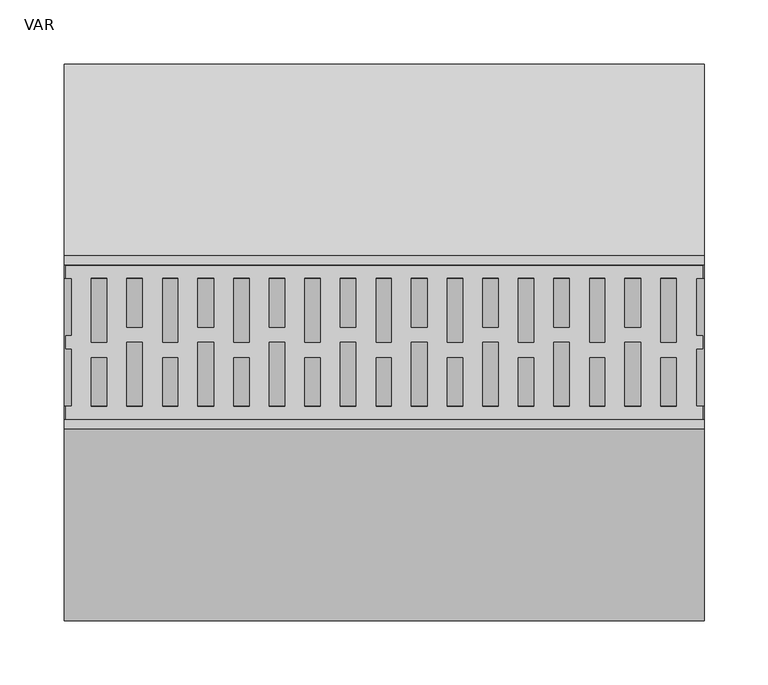
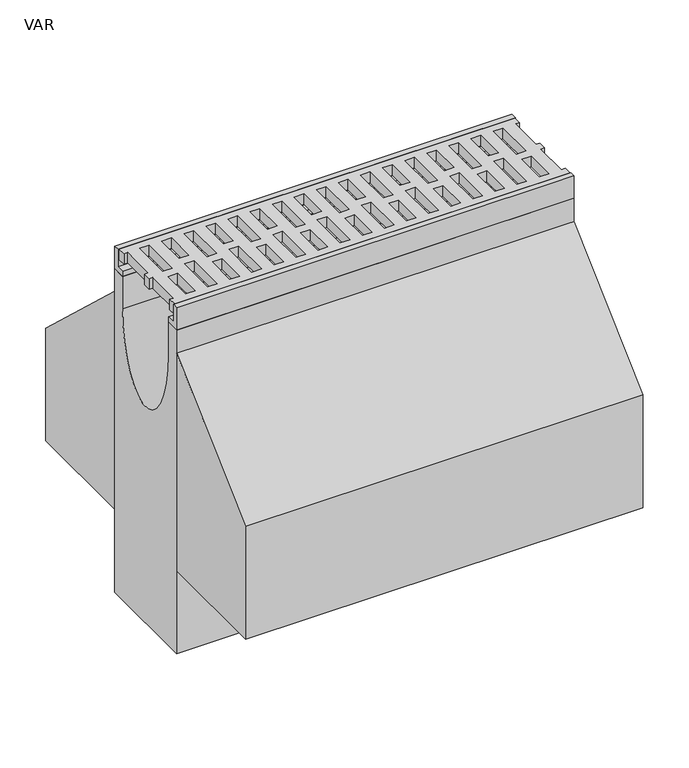
"""IFC4 building model written with IfcOpenShell, lengths in millimetres: flow terminal geometry, VAR."""

from ifc_helpers import new_model, si_unit, point, frame, origin, place, context, project, spatial, polyline, circle_curve, ellipse_curve, trimmed, outline, extrude, source, transform, mapped, element, save
from ifc_brep_helpers import plane_surface, revolved_surface, extruded_surface, advanced_brep


def var_fa662d39(model_context):
    return source(origin(), model_context, "Body", "SolidModel", [
        extrude(outline(polyline([(499.0, 50.0), (493.7871589, 50.0), (493.7871589, 5.0), (499.0, 5.0), (499.0, -5.0), (493.9604202, -5.0), (493.9604202, -50.0), (499.0, -50.0), (499.0, -60.0), (1.5, -60.0), (1.5, -50.0), (6.0847381, -50.0), (6.0847381, -5.0), (1.5, -5.0), (1.5, 5.0), (6.0847381, 5.0), (6.0847381, 50.0), (1.5, 50.0), (1.5, 60.0), (499.0, 60.0), (499.0, 50.0)]), holes=[polyline([(478.2, 50.0), (466.2429028, 50.0), (466.2429028, 0.0), (478.2, 0.0), (478.2, 50.0)]), polyline([(450.4, 50.0), (438.2305238, 50.0), (438.2305238, 11.948473), (450.4, 11.948473), (450.4, 50.0)]), polyline([(422.6, 50.0), (410.6429028, 50.0), (410.6429028, 0.0), (422.6, 0.0), (422.6, 50.0)]), polyline([(394.8, 50.0), (382.6305238, 50.0), (382.6305238, 11.948473), (394.8, 11.948473), (394.8, 50.0)]), polyline([(367.0, 50.0), (355.0429028, 50.0), (355.0429028, 0.0), (367.0, 0.0), (367.0, 50.0)]), polyline([(339.2, 50.0), (327.0305238, 50.0), (327.0305238, 11.948473), (339.2, 11.948473), (339.2, 50.0)]), polyline([(311.4, 50.0), (299.4429028, 50.0), (299.4429028, 0.0), (311.4, 0.0), (311.4, 50.0)]), polyline([(283.6, 50.0), (271.4305238, 50.0), (271.4305238, 11.948473), (283.6, 11.948473), (283.6, 50.0)]), polyline([(255.8, 50.0), (243.8429028, 50.0), (243.8429028, 0.0), (255.8, 0.0), (255.8, 50.0)]), polyline([(228.0, 50.0), (215.8305238, 50.0), (215.8305238, 11.948473), (228.0, 11.948473), (228.0, 50.0)]), polyline([(200.2, 50.0), (188.2429028, 50.0), (188.2429028, 0.0), (200.2, 0.0), (200.2, 50.0)]), polyline([(172.4, 50.0), (160.2305238, 50.0), (160.2305238, 11.948473), (172.4, 11.948473), (172.4, 50.0)]), polyline([(144.6, 50.0), (132.6429028, 50.0), (132.6429028, 0.0), (144.6, 0.0), (144.6, 50.0)]), polyline([(116.8, 50.0), (104.6305238, 50.0), (104.6305238, 11.948473), (116.8, 11.948473), (116.8, 50.0)]), polyline([(89.0, 50.0), (77.0429028, 50.0), (77.0429028, 0.0), (89.0, 0.0), (89.0, 50.0)]), polyline([(61.2, 50.0), (49.0305238, 50.0), (49.0305238, 11.948473), (61.2, 11.948473), (61.2, 50.0)]), polyline([(33.4, 50.0), (21.4429028, 50.0), (21.4429028, 0.0), (33.4, 0.0), (33.4, 50.0)]), polyline([(49.0305238, -50.0), (61.2, -50.0), (61.2, 0.0), (49.0305238, 0.0), (49.0305238, -50.0)]), polyline([(104.6305238, -50.0), (116.8, -50.0), (116.8, 0.0), (104.6305238, 0.0), (104.6305238, -50.0)]), polyline([(160.2305238, -50.0), (172.4, -50.0), (172.4, 0.0), (160.2305238, 0.0), (160.2305238, -50.0)]), polyline([(215.8305238, -50.0), (228.0, -50.0), (228.0, 0.0), (215.8305238, 0.0), (215.8305238, -50.0)]), polyline([(271.4305238, -50.0), (283.6, -50.0), (283.6, 0.0), (271.4305238, 0.0), (271.4305238, -50.0)]), polyline([(327.0305238, -50.0), (339.2, -50.0), (339.2, 0.0), (327.0305238, 0.0), (327.0305238, -50.0)]), polyline([(382.6305238, -50.0), (394.8, -50.0), (394.8, 0.0), (382.6305238, 0.0), (382.6305238, -50.0)]), polyline([(438.2305238, -50.0), (450.4, -50.0), (450.4, 0.0), (438.2305238, 0.0), (438.2305238, -50.0)]), polyline([(478.2, -50.0), (478.2, -11.948473), (466.2, -11.948473), (466.2, -50.0), (478.2, -50.0)]), polyline([(422.6, -50.0), (422.6, -11.948473), (410.6, -11.948473), (410.6, -50.0), (422.6, -50.0)]), polyline([(367.0, -50.0), (367.0, -11.948473), (355.0, -11.948473), (355.0, -50.0), (367.0, -50.0)]), polyline([(311.4, -50.0), (311.4, -11.948473), (299.4, -11.948473), (299.4, -50.0), (311.4, -50.0)]), polyline([(255.8, -50.0), (255.8, -11.948473), (243.8, -11.948473), (243.8, -50.0), (255.8, -50.0)]), polyline([(200.2, -50.0), (200.2, -11.948473), (188.2, -11.948473), (188.2, -50.0), (200.2, -50.0)]), polyline([(144.6, -50.0), (144.6, -11.948473), (132.6, -11.948473), (132.6, -50.0), (144.6, -50.0)]), polyline([(89.0, -50.0), (89.0, -11.948473), (77.0, -11.948473), (77.0, -50.0), (89.0, -50.0)]), polyline([(33.4, -50.0), (33.4, -11.948473), (21.4, -11.948473), (21.4, -50.0), (33.4, -50.0)])]), frame((0.0, 0.0, -14.0), z_axis=(0.0, 0.0, 1.0), x_axis=(1.0, 0.0, 0.0)), (0.0, 0.0, 1.0), 14.0),
        advanced_brep(
        [(0.0, 50.0, -30.0), (0.0, 67.5, -30.0), (0.0, 67.5, -460.0), (0.0, -67.5, -460.0), (0.0, -67.5, -30.0), (0.0, -50.0, -30.0), (0.0, -50.0, -73.0), (0.0, 50.0, -73.0), (500.0, 50.0, -30.0), (500.0, 50.0, -73.0), (500.0, -50.0, -73.0), (500.0, -50.0, -30.0), (500.0, -67.5, -30.0), (500.0, -67.5, -460.0), (500.0, 67.5, -460.0), (500.0, 67.5, -30.0), (200.0, -67.5, -383.0), (300.0, -67.5, -383.0), (300.0, -50.0, -383.0), (200.0, -50.0, -383.0)],
        [
            (0, 1),
            (1, 2),
            (2, 3),
            (3, 4),
            (4, 5),
            (5, 6),
            (6, 7, ellipse_curve(frame((0.0, 0.0, -73.0), z_axis=(1.0, 0.0, 0.0), x_axis=(0.0, 1.0, 0.0)), 50.0, 100.0)),
            (7, 0),
            (8, 9),
            (9, 10, ellipse_curve(frame((500.0, 0.0, -73.0), z_axis=(-1.0, 0.0, 0.0), x_axis=(0.0, 1.0, 0.0)), 50.0, 100.0)),
            (10, 11),
            (11, 12),
            (12, 13),
            (13, 14),
            (14, 15),
            (15, 8),
            (7, 9),
            (8, 0),
            (6, 10),
            (5, 11),
            (4, 12),
            (3, 13),
            (16, 17, circle_curve(frame((250.0, -67.5, -383.0), z_axis=(0.0, 1.0, 0.0), x_axis=(-1.0, 0.0, 0.0)), 50.0)),
            (17, 16, circle_curve(frame((250.0, -67.5, -383.0), z_axis=(0.0, 1.0, 0.0), x_axis=(-1.0, 0.0, 0.0)), 50.0)),
            (2, 14),
            (1, 15),
            (18, 19, circle_curve(frame((250.0, -50.0, -383.0), z_axis=(0.0, -1.0, 0.0), x_axis=(-1.0, 0.0, 0.0)), 50.0)),
            (19, 18, circle_curve(frame((250.0, -50.0, -383.0), z_axis=(0.0, -1.0, 0.0), x_axis=(-1.0, 0.0, 0.0)), 50.0)),
            (19, 16),
            (17, 18),
        ],
        [
            plane_surface(frame((0.0, 0.0, -148.25), z_axis=(-1.0, 0.0, 0.0), x_axis=(0.0, 0.0, -1.0))),
            plane_surface(frame((500.0, 0.0, -148.25), z_axis=(1.0, 0.0, 0.0), x_axis=(0.0, 0.0, -1.0))),
            plane_surface(frame((500.0, 50.0, -51.5), z_axis=(0.0, -1.0, 0.0), x_axis=(0.0, 0.0, -1.0))),
            extruded_surface(trimmed(ellipse_curve(frame((0.0, 0.0, -73.0), z_axis=(-1.0, 0.0, 0.0), x_axis=(0.0, 1.0, 0.0)), 50.0, 100.0), [point((0.0, 50.0, -73.0))], [point((0.0, -50.0, -73.0))], True, "CARTESIAN"), (500.0, 0.0, 0.0), 500.0),
            plane_surface(frame((500.0, -50.0, -51.5), z_axis=(0.0, 1.0, 0.0), x_axis=(0.0, 0.0, 1.0))),
            plane_surface(frame((500.0, -58.75, -30.0), z_axis=(0.0, 0.0, 1.0), x_axis=(0.0, -1.0, 0.0))),
            plane_surface(frame((500.0, -67.5, -245.0), z_axis=(0.0, -1.0, 0.0), x_axis=(0.0, 0.0, -1.0))),
            plane_surface(frame((500.0, 0.0, -460.0), z_axis=(0.0, 0.0, -1.0), x_axis=(0.0, 1.0, 0.0))),
            plane_surface(frame((500.0, 67.5, -245.0), z_axis=(0.0, 1.0, 0.0), x_axis=(0.0, 0.0, 1.0))),
            plane_surface(frame((500.0, 58.75, -30.0), z_axis=(0.0, 0.0, 1.0), x_axis=(0.0, -1.0, 0.0))),
            plane_surface(frame((200.0, -50.0, -383.0), z_axis=(0.0, -1.0, 0.0), x_axis=(0.0, 0.0, -1.0))),
            revolved_surface(polyline([(200.0, -67.5, -383.0), (200.0, -50.0, -383.0)]), (250.0, -50.0, -383.0), (0.0, -1.0, 0.0)),
        ],
        [
            (0, [[1, 2, 3, 4, 5, 6, 7, 8]]),
            (1, [[9, 10, 11, 12, 13, 14, 15, 16]]),
            (2, [[17, -9, 18, -8]]),
            (3, [[19, -10, -17, -7]]),
            (4, [[20, -11, -19, -6]]),
            (5, [[21, -12, -20, -5]]),
            (6, [[22, -13, -21, -4], [23, 24]]),
            (7, [[25, -14, -22, -3]]),
            (8, [[26, -15, -25, -2]]),
            (9, [[-18, -16, -26, -1]]),
            (10, [[27, 28]]),
            (11, [[29, -24, 30, -28]]),
            (11, [[-30, -23, -29, -27]]),
        ],
    ),
        extrude(outline(polyline([(60.5, 0.0), (67.5, 0.0), (67.5, -30.0), (50.0, -30.0), (50.0, -23.0), (60.5, -23.0), (60.5, 0.0)])), frame((0.0, 0.0, 0.0), z_axis=(1.0, 0.0, 0.0), x_axis=(0.0, 1.0, 0.0)), (0.0, 0.0, 1.0), 500.0),
        extrude(outline(polyline([(-60.5, 0.0), (-60.5, -23.0), (-50.0, -23.0), (-50.0, -30.0), (-67.5, -30.0), (-67.5, 0.0), (-60.5, 0.0)])), frame((0.0, 0.0, 0.0), z_axis=(1.0, 0.0, 0.0), x_axis=(0.0, 1.0, 0.0)), (0.0, 0.0, 1.0), 500.0),
        extrude(outline(polyline([(67.5, -200.0), (67.5, -60.0), (217.5, -200.0), (217.5, -350.0), (-217.5, -350.0), (-217.5, -200.0), (-67.5, -60.0), (-67.5, -200.0), (67.5, -200.0)])), frame((0.0, 0.0, 0.0), z_axis=(1.0, 0.0, 0.0), x_axis=(0.0, 1.0, 0.0)), (0.0, 0.0, 1.0), 500.0),
    ])


if __name__ == "__main__":
    model = new_model("IFC4")
    model_context = context("Model", 3, world=origin())
    ifc_project = project(units=[si_unit("LENGTHUNIT", "METRE", prefix="MILLI")], contexts=[model_context])
    site = spatial("IfcSite", under=ifc_project)
    building = spatial("IfcBuilding", under=site)
    placement = place(None, origin())
    var_shape = var_fa662d39(model_context)
    element("IfcFlowTerminal", 1, ObjectType="VAR", at=placement, inside=building, context=model_context, shape_type="MappedRepresentation", body=[
        mapped(var_shape, transform((0.0, 0.0, 0.0), x_axis=(1.0, 0.0, 0.0), y_axis=(0.0, 1.0, 0.0), z_axis=(0.0, 0.0, 1.0))),
    ])
    save(model, "model.ifc")
